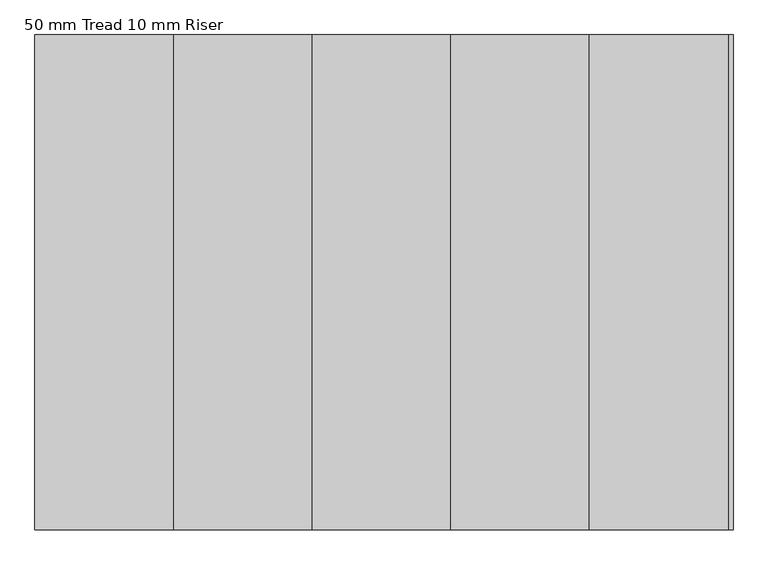
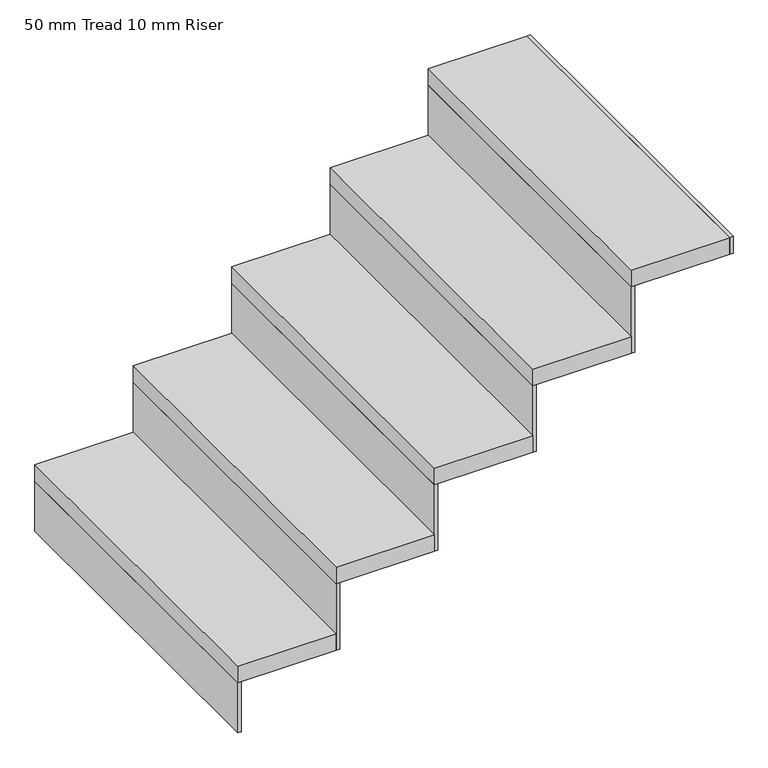
"""IFC4 building model written with IfcOpenShell, lengths in millimetres: stair flight geometry, 50 mm Tread 10 mm Riser."""

from ifc_helpers import new_model, si_unit, frame, origin, place, context, project, spatial, polyline, outline, extrude, source, transform, mapped, element, save


def stair_flight_50_mm_tread_10_mm_riser_12c4c84b(model_context):
    return source(origin(), model_context, "Body", "SweptSolid", [
        extrude(outline(polyline([(4335.1809005, 1948.1591595), (4335.1809005, 948.1591595), (4055.1809005, 948.1591595), (4055.1809005, 1948.1591595), (4335.1809005, 1948.1591595)])), frame((0.0, 0.0, -2450.0), z_axis=(0.0, 0.0, 1.0), x_axis=(1.0, 0.0, 0.0)), (0.0, 0.0, 1.0), 50.0),
        extrude(outline(polyline([(4065.1809005, 948.1591595), (4055.1809005, 948.1591595), (4055.1809005, 1948.1591595), (4065.1809005, 1948.1591595), (4065.1809005, 948.1591595)])), frame((0.0, 0.0, -2600.0), z_axis=(0.0, 0.0, 1.0), x_axis=(1.0, 0.0, 0.0)), (0.0, 0.0, 1.0), 150.0),
        extrude(outline(polyline([(4615.1809005, 1948.1591595), (4615.1809005, 948.1591595), (4335.1809005, 948.1591595), (4335.1809005, 1948.1591595), (4615.1809005, 1948.1591595)])), frame((0.0, 0.0, -2250.0), z_axis=(0.0, 0.0, 1.0), x_axis=(1.0, 0.0, 0.0)), (0.0, 0.0, 1.0), 50.0),
        extrude(outline(polyline([(4345.1809005, 948.1591595), (4335.1809005, 948.1591595), (4335.1809005, 1948.1591595), (4345.1809005, 1948.1591595), (4345.1809005, 948.1591595)])), frame((0.0, 0.0, -2450.0), z_axis=(0.0, 0.0, 1.0), x_axis=(1.0, 0.0, 0.0)), (0.0, 0.0, 1.0), 200.0),
        extrude(outline(polyline([(4895.1809005, 1948.1591595), (4895.1809005, 948.1591595), (4615.1809005, 948.1591595), (4615.1809005, 1948.1591595), (4895.1809005, 1948.1591595)])), frame((0.0, 0.0, -2050.0), z_axis=(0.0, 0.0, 1.0), x_axis=(1.0, 0.0, 0.0)), (0.0, 0.0, 1.0), 50.0),
        extrude(outline(polyline([(4625.1809005, 948.1591595), (4615.1809005, 948.1591595), (4615.1809005, 1948.1591595), (4625.1809005, 1948.1591595), (4625.1809005, 948.1591595)])), frame((0.0, 0.0, -2250.0), z_axis=(0.0, 0.0, 1.0), x_axis=(1.0, 0.0, 0.0)), (0.0, 0.0, 1.0), 200.0),
        extrude(outline(polyline([(5175.1809005, 1948.1591595), (5175.1809005, 948.1591595), (4895.1809005, 948.1591595), (4895.1809005, 1948.1591595), (5175.1809005, 1948.1591595)])), frame((0.0, 0.0, -1850.0), z_axis=(0.0, 0.0, 1.0), x_axis=(1.0, 0.0, 0.0)), (0.0, 0.0, 1.0), 50.0),
        extrude(outline(polyline([(4905.1809005, 948.1591595), (4895.1809005, 948.1591595), (4895.1809005, 1948.1591595), (4905.1809005, 1948.1591595), (4905.1809005, 948.1591595)])), frame((0.0, 0.0, -2050.0), z_axis=(0.0, 0.0, 1.0), x_axis=(1.0, 0.0, 0.0)), (0.0, 0.0, 1.0), 200.0),
        extrude(outline(polyline([(5455.1809005, 1948.1591595), (5455.1809005, 948.1591595), (5175.1809005, 948.1591595), (5175.1809005, 1948.1591595), (5455.1809005, 1948.1591595)])), frame((0.0, 0.0, -1650.0), z_axis=(0.0, 0.0, 1.0), x_axis=(1.0, 0.0, 0.0)), (0.0, 0.0, 1.0), 50.0),
        extrude(outline(polyline([(5185.1809005, 948.1591595), (5175.1809005, 948.1591595), (5175.1809005, 1948.1591595), (5185.1809005, 1948.1591595), (5185.1809005, 948.1591595)])), frame((0.0, 0.0, -1850.0), z_axis=(0.0, 0.0, 1.0), x_axis=(1.0, 0.0, 0.0)), (0.0, 0.0, 1.0), 200.0),
        extrude(outline(polyline([(5465.1809005, 948.1591595), (5455.1809005, 948.1591595), (5455.1809005, 1948.1591595), (5465.1809005, 1948.1591595), (5465.1809005, 948.1591595)])), frame((0.0, 0.0, -1650.0), z_axis=(0.0, 0.0, 1.0), x_axis=(1.0, 0.0, 0.0)), (0.0, 0.0, 1.0), 50.0),
    ])


if __name__ == "__main__":
    model = new_model("IFC4")
    model_context = context("Model", 3, world=origin())
    ifc_project = project(units=[si_unit("LENGTHUNIT", "METRE", prefix="MILLI")], contexts=[model_context])
    site = spatial("IfcSite", under=ifc_project)
    building = spatial("IfcBuilding", under=site)
    placement = place(None, origin())
    stair_flight_50_mm_tread_10_mm_riser_shape = stair_flight_50_mm_tread_10_mm_riser_12c4c84b(model_context)
    element("IfcStairFlight", 1, ObjectType="50 mm Tread 10 mm Riser", at=placement, inside=building, context=model_context, shape_type="MappedRepresentation", body=[
        mapped(stair_flight_50_mm_tread_10_mm_riser_shape, transform((0.0, 0.0, 0.0), x_axis=(1.0, 0.0, 0.0), y_axis=(0.0, 1.0, 0.0), z_axis=(0.0, 0.0, 1.0))),
    ])
    save(model, "model.ifc")
